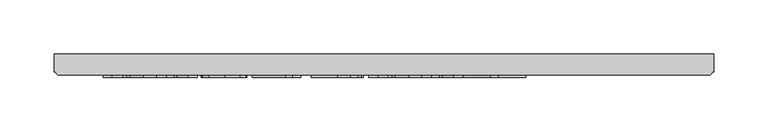
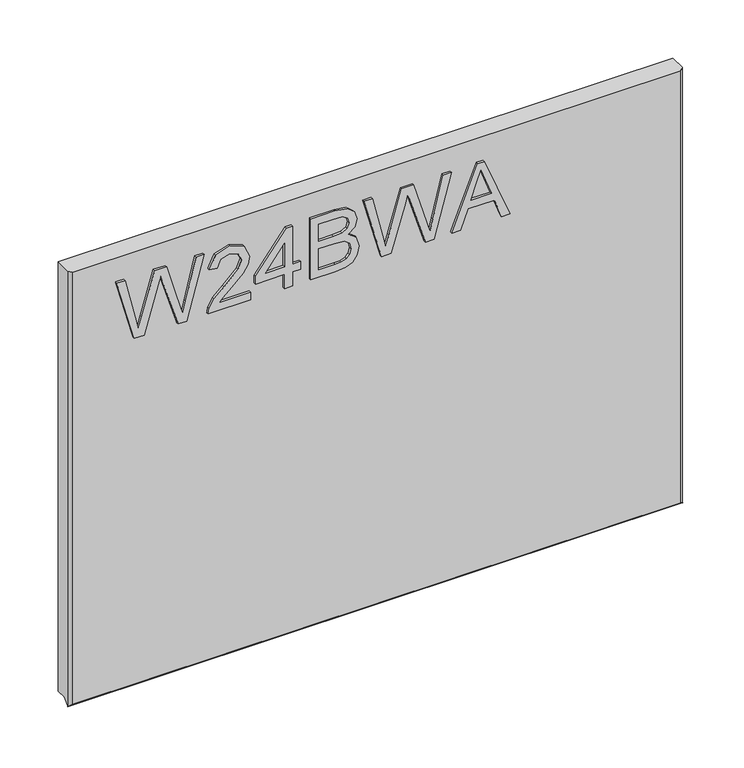
"""IFC4 building model written with IfcOpenShell, lengths in millimetres: furniture geometry."""

import ifcopenshell
import ifcopenshell.guid

model = None  # the IFC model being written
_history = None  # IfcOwnerHistory: only IFC2X3 demands one
_inside = {}  # id of a spatial element -> (the spatial element, [elements in it])
_under = {}  # id of a project, library or spatial element -> (it, [spatial elements below it])
_declared = {}  # id of a project -> (the project, [libraries it declares])
_typed = {}  # id of a type object -> (the type object, [elements of that type])
_made_of = {}  # id of a material, layer set ... -> (it, [elements and type objects made of it])


def new_model(schema):
    """Start an empty IFC model of exactly this schema.

    Asked for "IFC4X3", IfcOpenShell would pick the latest addendum, in which some entities
    have other attributes; the version numbers below select the first issue.
    IFC2X3 requires an IfcOwnerHistory on every rooted entity: one is made here for all.
    """
    global model, _history
    if schema == "IFC4X3":
        model = ifcopenshell.file(schema_version=(4, 3, 0, 0))
    else:
        model = ifcopenshell.file(schema=schema)
    _inside.clear()
    _under.clear()
    _declared.clear()
    _typed.clear()
    _made_of.clear()
    _history = None
    if model.schema == "IFC2X3":
        org = make("IfcOrganization", Name="unknown")
        user = make(
            "IfcPersonAndOrganization",
            ThePerson=make("IfcPerson", FamilyName="unknown"),
            TheOrganization=org,
        )
        app = make(
            "IfcApplication",
            ApplicationDeveloper=org,
            Version="unknown",
            ApplicationFullName="unknown",
            ApplicationIdentifier="unknown",
        )
        _history = make(
            "IfcOwnerHistory",
            OwningUser=user,
            OwningApplication=app,
            ChangeAction="ADDED",
            CreationDate=0,
        )
    return model


def make(cls, **values):
    """One entity of the class cls with the attributes given. An attribute that is None is left unset."""
    return model.create_entity(
        cls, **{name: value for name, value in values.items() if value is not None}
    )


def rooted(cls, **values):
    """An entity with a GlobalId (a new one), such as an element, a storey or a relation."""
    return make(cls, GlobalId=ifcopenshell.guid.new(), OwnerHistory=_history, **values)


def si_unit(unit_type, name, prefix=None):
    """IfcSIUnit, for example si_unit("LENGTHUNIT", "METRE", prefix="MILLI")."""
    return make("IfcSIUnit", UnitType=unit_type, Prefix=prefix, Name=name)


def assignment(units):
    """IfcUnitAssignment: the units of a project."""
    return None if units is None else make("IfcUnitAssignment", Units=units)


def point(xyz):
    """IfcCartesianPoint."""
    return None if xyz is None else make("IfcCartesianPoint", Coordinates=xyz)


def direction(xyz):
    """IfcDirection."""
    return None if xyz is None else make("IfcDirection", DirectionRatios=xyz)


def frame(location, z_axis=None, x_axis=None):
    """IfcAxis2Placement3D, a coordinate frame: its origin and axes. An axis left out is left unset."""
    return make(
        "IfcAxis2Placement3D",
        Location=point(location),
        Axis=direction(z_axis),
        RefDirection=direction(x_axis),
    )


def origin():
    """The frame at (0, 0, 0) with its axes left unset."""
    return frame((0.0, 0.0, 0.0))


def place(relative_to, where):
    """IfcLocalPlacement: puts the frame where relative to a parent placement (None: the world)."""
    return make(
        "IfcLocalPlacement", PlacementRelTo=relative_to, RelativePlacement=where
    )


def context(
    kind, dimensions, precision=None, world=None, true_north=None, identifier=None
):
    """IfcGeometricRepresentationContext, for example the 3D "Model" context."""
    return make(
        "IfcGeometricRepresentationContext",
        ContextIdentifier=identifier,
        ContextType=kind,
        CoordinateSpaceDimension=dimensions,
        Precision=precision,
        WorldCoordinateSystem=world,
        TrueNorth=true_north,
    )


def project(units=None, contexts=None):
    """IfcProject with its units and contexts."""
    return rooted(
        "IfcProject",
        Name="project",
        RepresentationContexts=contexts,
        UnitsInContext=assignment(units),
    )


def spatial(cls, under=None, at=None, **own):
    """A site, building, storey or space (cls), placed at a placement, below another one or the project."""
    s = rooted(cls, ObjectPlacement=at, **own)
    if under is not None:
        _under.setdefault(under.id(), (under, []))[1].append(s)
    return s


def polyline(points):
    """IfcPolyline through the points."""
    return make("IfcPolyline", Points=[point(p) for p in points])


def outline(outer, holes=None, kind="AREA"):
    """IfcArbitraryClosedProfileDef: a profile drawn as a closed curve; with holes, ...WithVoids."""
    if holes is None:
        return make("IfcArbitraryClosedProfileDef", ProfileType=kind, OuterCurve=outer)
    return make(
        "IfcArbitraryProfileDefWithVoids",
        ProfileType=kind,
        OuterCurve=outer,
        InnerCurves=holes,
    )


def extrude(swept, where, along, depth):
    """IfcExtrudedAreaSolid: the profile swept, set in the frame where, extruded along a direction by depth."""
    return make(
        "IfcExtrudedAreaSolid",
        SweptArea=swept,
        Position=where,
        ExtrudedDirection=direction(along),
        Depth=depth,
    )


def faces_of(points, faces, orient=None, outer=None):
    """IfcFace entities. A face is a list of loops; a loop is a list of indices into points, from 0.

    orient and outer hold one flag for each loop. By default every Orientation is true, the
    first loop of a face is its IfcFaceOuterBound and the others are IfcFaceBound.
    """
    made = []
    for i, loops in enumerate(faces):
        bounds = []
        for j, loop in enumerate(loops):
            is_outer = j == 0 if outer is None else outer[i][j]
            bounds.append(
                make(
                    "IfcFaceOuterBound" if is_outer else "IfcFaceBound",
                    Bound=make("IfcPolyLoop", Polygon=[points[k] for k in loop]),
                    Orientation=True if orient is None else orient[i][j],
                )
            )
        made.append(make("IfcFace", Bounds=bounds))
    return made


def faceted_brep(points, faces, orient=None, outer=None, voids=None):
    """IfcFacetedBrep: a solid bounded by flat faces; with voids (closed shells), ...WithVoids."""
    shared = [point(p) for p in points]
    hull = make("IfcClosedShell", CfsFaces=faces_of(shared, faces, orient, outer))
    if voids is None:
        return make("IfcFacetedBrep", Outer=hull)
    return make(
        "IfcFacetedBrepWithVoids",
        Outer=hull,
        Voids=[
            make(cls, CfsFaces=faces_of(shared, fs, o, b)) for cls, fs, o, b in voids
        ],
    )


def shape(context_of_items, identifier, shape_type, items):
    """IfcShapeRepresentation: the items that make up one representation, for example the "Body"."""
    return make(
        "IfcShapeRepresentation",
        ContextOfItems=context_of_items,
        RepresentationIdentifier=identifier,
        RepresentationType=shape_type,
        Items=items,
    )


def source(mapping_origin, context_of_items, identifier, shape_type, items):
    """IfcRepresentationMap: a shape defined once, which mapped items show again and again."""
    return make(
        "IfcRepresentationMap",
        MappingOrigin=mapping_origin,
        MappedRepresentation=shape(context_of_items, identifier, shape_type, items),
    )


def transform(
    local_origin,
    x_axis=None,
    y_axis=None,
    z_axis=None,
    scale=None,
    scale2=None,
    scale3=None,
    uniform=True,
):
    """IfcCartesianTransformationOperator3D, or its non-uniform kind. x_axis, y_axis, z_axis: its Axis1, 2, 3."""
    if uniform:
        return make(
            "IfcCartesianTransformationOperator3D",
            Axis1=direction(x_axis),
            Axis2=direction(y_axis),
            LocalOrigin=point(local_origin),
            Scale=scale,
            Axis3=direction(z_axis),
        )
    return make(
        "IfcCartesianTransformationOperator3DnonUniform",
        Axis1=direction(x_axis),
        Axis2=direction(y_axis),
        LocalOrigin=point(local_origin),
        Scale=scale,
        Axis3=direction(z_axis),
        Scale2=scale2,
        Scale3=scale3,
    )


def mapped(mapping_source, mapping_target):
    """IfcMappedItem: shows the shape of a source again, moved by a transform."""
    return make(
        "IfcMappedItem", MappingSource=mapping_source, MappingTarget=mapping_target
    )


def made_of(thing, what):
    """Note that an element or type object is made of a material, layer set ...; save() writes the relation."""
    if what is not None:
        _made_of.setdefault(what.id(), (what, []))[1].append(thing)
    return thing


def element(
    cls,
    number,
    at=None,
    inside=None,
    cuts=None,
    type_object=None,
    material=None,
    context=None,
    identifier="Body",
    shape_type=None,
    held_by="IfcProductDefinitionShape",
    body=None,
    shapes=None,
    **own,
):
    """One element of the class cls, such as IfcWall. Its Tag is "e" and its number.

    at: its placement. inside: the storey or other place that contains it. cuts: it is an
    opening in that element (IfcRelVoidsElement). A single representation is given by context,
    identifier, shape_type and body (its items); several are given by shapes. held_by: the class
    of the entity that holds the representations. save() writes the other relations.
    """
    e = rooted(cls, Tag="e%d" % number, ObjectPlacement=at, **own)
    if body is not None:
        shapes = [shape(context, identifier, shape_type, body)]
    if shapes is not None:
        e.Representation = make(held_by, Representations=shapes)
    if inside is not None:
        _inside.setdefault(inside.id(), (inside, []))[1].append(e)
    if cuts is not None:
        rooted(
            "IfcRelVoidsElement", RelatingBuildingElement=cuts, RelatedOpeningElement=e
        )
    if type_object is not None:
        _typed.setdefault(type_object.id(), (type_object, []))[1].append(e)
    return made_of(e, material)


def aggregate(whole, parts):
    """IfcRelAggregates: a whole, such as a stair, and the parts it consists of."""
    return rooted("IfcRelAggregates", RelatingObject=whole, RelatedObjects=parts)


def save(model, path):
    """Write the relations noted so far, then the file.

    IfcRelAggregates (storeys below a building ...), IfcRelContainedInSpatialStructure (elements
    in a storey), IfcRelDefinesByType, IfcRelAssociatesMaterial and IfcRelDeclares: one each for
    every whole, place, type object, material and project.
    """
    for whole, parts in _under.values():
        aggregate(whole, parts)
    for where, things in _inside.values():
        rooted(
            "IfcRelContainedInSpatialStructure",
            RelatedElements=things,
            RelatingStructure=where,
        )
    for kind, things in _typed.values():
        rooted("IfcRelDefinesByType", RelatedObjects=things, RelatingType=kind)
    for what, things in _made_of.values():
        rooted("IfcRelAssociatesMaterial", RelatedObjects=things, RelatingMaterial=what)
    for by, libraries in _declared.values():
        rooted("IfcRelDeclares", RelatingContext=by, RelatedDefinitions=libraries)
    model.write(path)


def furniture_90aefee7(model_context):
    return source(origin(), model_context, "Body", "SolidModel", [
        extrude(outline(polyline([(873.55172, -223.2197895), (873.55172, -213.5952607), (921.3628904, -199.6568251), (929.6325097, -197.2584797), (922.7645208, -195.1248868), (873.55172, -179.8315417), (873.55172, -171.3127436), (937.3414769, -153.9013793), (937.3414769, -162.1242776), (895.0433862, -172.3094586), (882.4754336, -175.3307508), (905.8670876, -182.1675924), (937.3414769, -191.3560583), (937.3414769, -203.2076221), (893.9220818, -215.853443), (882.4754336, -219.1862087), (895.4171543, -222.3009429), (937.3414769, -232.3926818), (937.3414769, -240.6155801), (873.55172, -223.2197895)])), frame((0.0, -21.9273437, 0.0), z_axis=(0.0, 1.0, 0.0), x_axis=(0.0, 0.0, 1.0)), (0.0, 0.0, 1.0), 2.38125),
        extrude(outline(polyline([(881.5254396, -108.0524915), (881.5254396, -139.3711441), (885.5823809, -135.7736261), (893.252414, -126.6007338), (904.1773443, -115.177446), (911.9953272, -110.4664105), (919.5563445, -109.0492064), (932.2333128, -114.3053204), (937.3414769, -128.57859), (932.747244, -142.8051386), (919.4006078, -148.9178045), (918.4038929, -140.9440849), (926.4554808, -137.5879588), (929.3677573, -128.7499004), (926.3853993, -120.2700365), (919.0735607, -117.022926), (910.0408315, -120.4647074), (896.75649, -134.2318326), (887.5135162, -144.2145558), (879.0492259, -149.0579676), (873.55172, -149.9145195), (873.55172, -108.0524915), (881.5254396, -108.0524915)])), frame((0.0, -21.9273438, 0.0), z_axis=(0.0, 1.0, 0.0), x_axis=(0.0, 0.0, 1.0)), (0.0, 0.0, 1.0), 2.38125),
        extrude(outline(polyline([(873.55172, -74.1641831), (873.55172, -66.1904635), (888.5024443, -66.1904635), (888.5024443, -58.2167439), (896.4761639, -58.2167439), (896.4761639, -66.1904635), (936.344762, -66.1904635), (936.344762, -72.1707532), (896.4761639, -103.0689167), (888.5024443, -103.0689167), (888.5024443, -74.1641831), (873.55172, -74.1641831)]), holes=[polyline([(896.4761639, -74.1641831), (896.4761639, -93.2575039), (921.1137116, -74.1641831), (896.4761639, -74.1641831)])]), frame((0.0, -21.9273438, 0.0), z_axis=(0.0, 1.0, 0.0), x_axis=(0.0, 0.0, 1.0)), (0.0, 0.0, 1.0), 2.38125),
        extrude(outline(polyline([(873.55172, -48.2495943), (873.55172, -24.0948304), (874.6496638, -13.8707153), (877.8889874, -6.9326448), (883.9938665, -2.283904), (892.5671724, -0.4072766), (902.487601, -3.1560296), (908.4367433, -11.0129467), (914.0821991, -4.5420863), (921.5342007, -2.4007065), (929.6948044, -4.9470018), (935.4648496, -11.9863011), (937.3414769, -23.9079464), (937.3414769, -48.2495943), (873.55172, -48.2495943)]), holes=[polyline([(911.4268882, -40.2758747), (929.3677573, -40.2758747), (929.3677573, -26.8202229), (928.5345659, -16.5727473), (925.4587659, -11.9785143), (920.2571597, -10.3744262), (915.0633404, -12.0953168), (912.1121297, -17.2112678), (911.4268882, -25.7144922), (911.4268882, -40.2758747)]), polyline([(881.5254396, -40.2758747), (903.4531686, -40.2758747), (903.4531686, -24.7022036), (902.3863721, -14.8518566), (898.6876252, -9.907216), (892.4893041, -8.3809963), (887.1163876, -9.6813978), (883.5733774, -12.9985897), (881.836913, -18.005525), (881.5254396, -23.92352), (881.5254396, -40.2758747)])]), frame((0.0, -21.9273437, 0.0), z_axis=(0.0, 1.0, 0.0), x_axis=(0.0, 0.0, 1.0)), (0.0, 0.0, 1.0), 2.38125),
        extrude(outline(polyline([(873.55172, 21.9720888), (873.55172, 31.5966175), (921.3628904, 45.5350532), (929.6325097, 47.9333986), (922.7645208, 50.0669915), (873.55172, 65.3603365), (873.55172, 73.8791347), (937.3414769, 91.290499), (937.3414769, 83.0676006), (895.0433862, 72.8824197), (882.4754336, 69.8611275), (905.8670876, 63.0242859), (937.3414769, 53.8358199), (937.3414769, 41.9842562), (893.9220818, 29.3384352), (882.4754336, 26.0056696), (895.4171543, 22.8909354), (937.3414769, 12.7991965), (937.3414769, 4.5762981), (873.55172, 21.9720888)])), frame((0.0, -21.9273437, 0.0), z_axis=(0.0, 1.0, 0.0), x_axis=(0.0, 0.0, 1.0)), (0.0, 0.0, 1.0), 2.38125),
        extrude(outline(polyline([(873.55172, 91.8355775), (873.55172, 100.2609335), (893.486019, 107.5494116), (893.486019, 133.8221948), (873.55172, 141.1262466), (873.55172, 149.5516027), (937.3414769, 124.0886504), (937.3414769, 117.2985298), (873.55172, 91.8355775)]), holes=[polyline([(901.4597387, 110.4772618), (918.5129085, 116.7223039), (929.3677573, 120.6935901), (917.1424255, 125.1632337), (901.4597387, 130.9099183), (901.4597387, 110.4772618)])]), frame((0.0, -21.9273437, 0.0), z_axis=(0.0, 1.0, 0.0), x_axis=(0.0, 0.0, 1.0)), (0.0, 0.0, 1.0), 2.38125),
        faceted_brep([(323.5377049, 0.0, 962.45172), (-286.0622951, 0.0, 962.45172), (-286.0622951, -15.9900938, 962.45172), (-282.8872951, -19.5460937, 962.45172), (320.3627049, -19.5460937, 962.45172), (323.5377049, -15.9900938, 962.45172), (-286.0622951, 0.0, 512.7625), (323.5377049, 0.0, 512.7625), (323.5377049, -10.0210937, 512.7625), (-286.0622951, -10.0210937, 512.7625), (-286.0622951, -15.9392937, 506.8443), (-286.0622951, -16.3710938, 506.4125), (-286.0622951, -16.8028938, 506.8443), (-282.8872951, -19.5460937, 509.5875), (320.3627049, -19.5460937, 509.5875), (323.5377049, -15.9900937, 506.8443), (323.5377049, -16.8028938, 506.8443), (323.5377049, -16.3710938, 506.4125), (322.8119906, -16.8028938, 506.8443), (-285.3365808, -16.8028938, 506.8443)], [[[0, 1, 2, 3, 4, 5]], [[6, 7, 8, 9]], [[1, 6, 9, 10, 2]], [[10, 11, 12]], [[3, 13, 14, 4]], [[7, 0, 5, 15, 8]], [[16, 17, 15]], [[1, 0, 7, 6]], [[11, 17, 16, 18, 14, 13, 19, 12]], [[17, 11, 10, 9, 8, 15]], [[19, 10, 12]], [[15, 18, 16]], [[10, 19, 13, 3, 2]], [[18, 15, 5, 4, 14]]]),
    ])


if __name__ == "__main__":
    model = new_model("IFC4")
    model_context = context("Model", 3, world=origin())
    ifc_project = project(units=[si_unit("LENGTHUNIT", "METRE", prefix="MILLI")], contexts=[model_context])
    site = spatial("IfcSite", under=ifc_project)
    building = spatial("IfcBuilding", under=site)
    placement = place(None, origin())
    furniture_shape = furniture_90aefee7(model_context)
    element("IfcFurniture", 1, at=placement, inside=building, context=model_context, shape_type="MappedRepresentation", body=[
        mapped(furniture_shape, transform((0.0, 0.0, 0.0), x_axis=(1.0, 0.0, 0.0), y_axis=(0.0, 1.0, 0.0), z_axis=(0.0, 0.0, 1.0))),
    ])
    save(model, "model.ifc")
